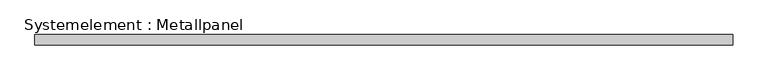
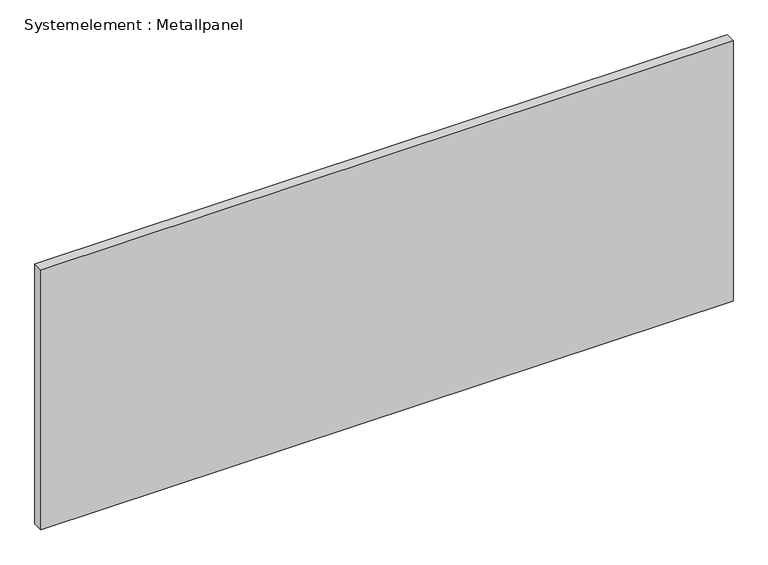
"""IFC4 building model written with IfcOpenShell, lengths in millimetres: plate geometry, Systemelement : Metallpanel."""

from ifc_helpers import new_model, si_unit, origin, origin_with_axes, place, context, project, spatial, polyline, outline, extrude, source, transform, mapped, element, save


def systemelement_metallpanel_1e01aa70(model_context):
    return source(origin(), model_context, "Body", "SweptSolid", [
        extrude(outline(polyline([(1000.0, -15.0), (-1000.0, -15.0), (-1000.0, 15.0), (1000.0, 15.0), (1000.0, -15.0)])), origin_with_axes(), (0.0, 0.0, 1.0), 795.0),
    ])


if __name__ == "__main__":
    model = new_model("IFC4")
    model_context = context("Model", 3, world=origin())
    ifc_project = project(units=[si_unit("LENGTHUNIT", "METRE", prefix="MILLI")], contexts=[model_context])
    site = spatial("IfcSite", under=ifc_project)
    building = spatial("IfcBuilding", under=site)
    placement = place(None, origin())
    systemelement_metallpanel_shape = systemelement_metallpanel_1e01aa70(model_context)
    element("IfcPlate", 1, ObjectType="Systemelement : Metallpanel", at=placement, inside=building, context=model_context, shape_type="MappedRepresentation", body=[
        mapped(systemelement_metallpanel_shape, transform((0.0, 0.0, 0.0), x_axis=(1.0, 0.0, 0.0), y_axis=(0.0, 1.0, 0.0), z_axis=(0.0, 0.0, 1.0))),
    ])
    save(model, "model.ifc")
